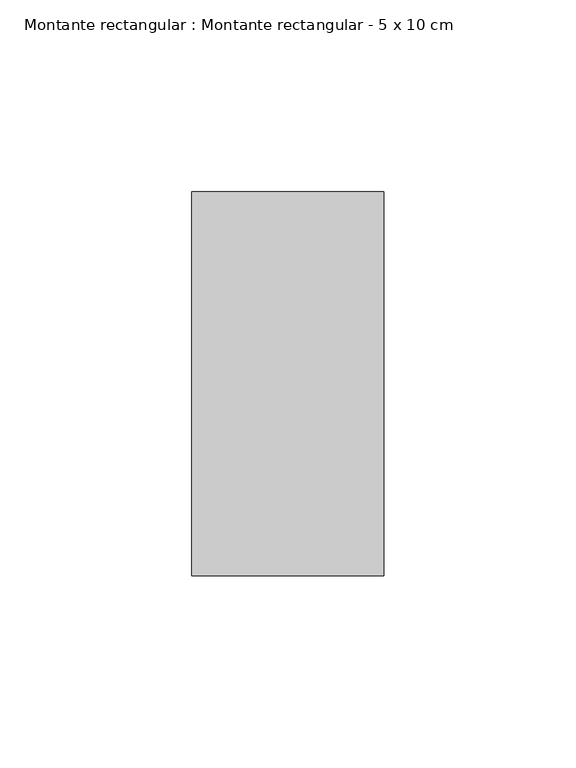
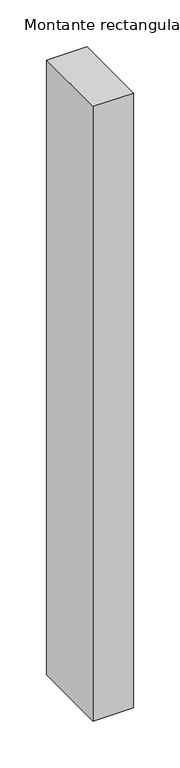
"""IFC4 building model written with IfcOpenShell, lengths in millimetres: member geometry, Montante rectangular : Montante rectangular - 5 x 10 cm."""

from ifc_helpers import new_model, si_unit, frame, origin, place, context, project, spatial, polyline, outline, extrude, source, transform, mapped, element, save


def montante_rectangular_montante_rectangular_5_x_10_cm_cbd0d3db(model_context):
    return source(origin(), model_context, "Body", "SweptSolid", [
        extrude(outline(polyline([(-50.0, 50.0), (0.0, 50.0), (0.0, -50.0), (-50.0, -50.0), (-50.0, 50.0)])), frame((0.0, 0.0, -804.4964839), z_axis=(0.0, 0.0, 1.0), x_axis=(1.0, 0.0, 0.0)), (0.0, 0.0, 1.0), 804.4964839),
    ])


if __name__ == "__main__":
    model = new_model("IFC4")
    model_context = context("Model", 3, world=origin())
    ifc_project = project(units=[si_unit("LENGTHUNIT", "METRE", prefix="MILLI")], contexts=[model_context])
    site = spatial("IfcSite", under=ifc_project)
    building = spatial("IfcBuilding", under=site)
    placement = place(None, origin())
    montante_rectangular_montante_rectangular_5_x_10_cm_shape = montante_rectangular_montante_rectangular_5_x_10_cm_cbd0d3db(model_context)
    element("IfcMember", 1, ObjectType="Montante rectangular : Montante rectangular - 5 x 10 cm", at=placement, inside=building, context=model_context, shape_type="MappedRepresentation", body=[
        mapped(montante_rectangular_montante_rectangular_5_x_10_cm_shape, transform((0.0, 0.0, 0.0), x_axis=(1.0, 0.0, 0.0), y_axis=(0.0, 1.0, 0.0), z_axis=(0.0, 0.0, 1.0))),
    ])
    save(model, "model.ifc")
